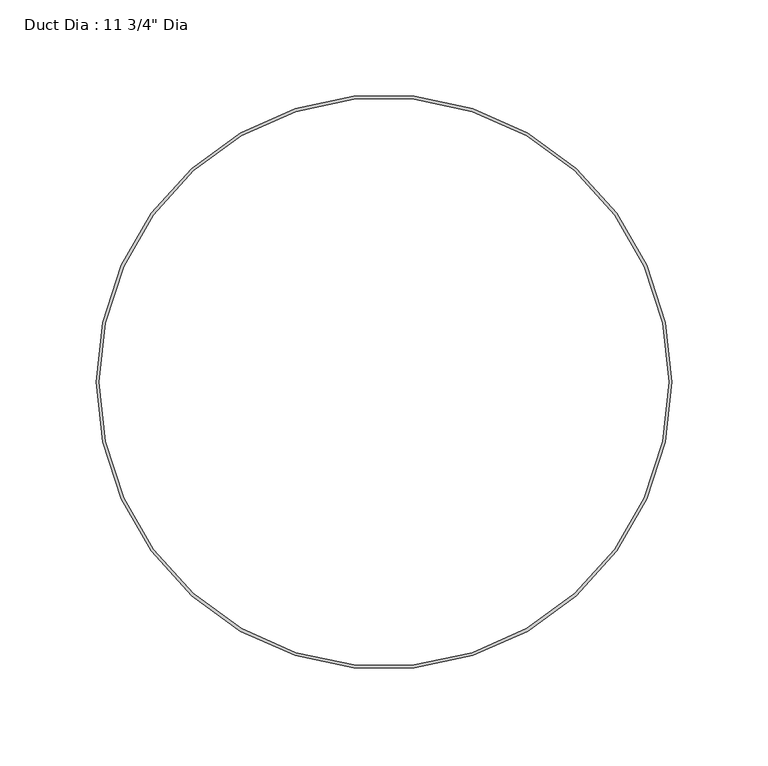
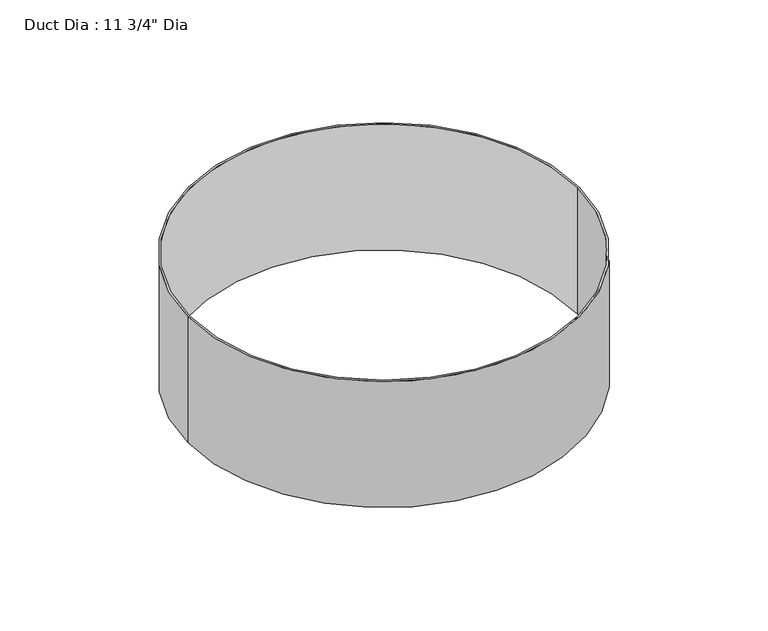
"""IFC4 building model written with IfcOpenShell, lengths in millimetres: proxy geometry."""

import ifcopenshell
import ifcopenshell.guid

model = None  # the IFC model being written
_history = None  # IfcOwnerHistory: only IFC2X3 demands one
_inside = {}  # id of a spatial element -> (the spatial element, [elements in it])
_under = {}  # id of a project, library or spatial element -> (it, [spatial elements below it])
_declared = {}  # id of a project -> (the project, [libraries it declares])
_typed = {}  # id of a type object -> (the type object, [elements of that type])
_made_of = {}  # id of a material, layer set ... -> (it, [elements and type objects made of it])


def new_model(schema):
    """Start an empty IFC model of exactly this schema.

    Asked for "IFC4X3", IfcOpenShell would pick the latest addendum, in which some entities
    have other attributes; the version numbers below select the first issue.
    IFC2X3 requires an IfcOwnerHistory on every rooted entity: one is made here for all.
    """
    global model, _history
    if schema == "IFC4X3":
        model = ifcopenshell.file(schema_version=(4, 3, 0, 0))
    else:
        model = ifcopenshell.file(schema=schema)
    _inside.clear()
    _under.clear()
    _declared.clear()
    _typed.clear()
    _made_of.clear()
    _history = None
    if model.schema == "IFC2X3":
        org = make("IfcOrganization", Name="unknown")
        user = make(
            "IfcPersonAndOrganization",
            ThePerson=make("IfcPerson", FamilyName="unknown"),
            TheOrganization=org,
        )
        app = make(
            "IfcApplication",
            ApplicationDeveloper=org,
            Version="unknown",
            ApplicationFullName="unknown",
            ApplicationIdentifier="unknown",
        )
        _history = make(
            "IfcOwnerHistory",
            OwningUser=user,
            OwningApplication=app,
            ChangeAction="ADDED",
            CreationDate=0,
        )
    return model


def make(cls, **values):
    """One entity of the class cls with the attributes given. An attribute that is None is left unset."""
    return model.create_entity(
        cls, **{name: value for name, value in values.items() if value is not None}
    )


def rooted(cls, **values):
    """An entity with a GlobalId (a new one), such as an element, a storey or a relation."""
    return make(cls, GlobalId=ifcopenshell.guid.new(), OwnerHistory=_history, **values)


def si_unit(unit_type, name, prefix=None):
    """IfcSIUnit, for example si_unit("LENGTHUNIT", "METRE", prefix="MILLI")."""
    return make("IfcSIUnit", UnitType=unit_type, Prefix=prefix, Name=name)


def assignment(units):
    """IfcUnitAssignment: the units of a project."""
    return None if units is None else make("IfcUnitAssignment", Units=units)


def point(xyz):
    """IfcCartesianPoint."""
    return None if xyz is None else make("IfcCartesianPoint", Coordinates=xyz)


def direction(xyz):
    """IfcDirection."""
    return None if xyz is None else make("IfcDirection", DirectionRatios=xyz)


def frame(location, z_axis=None, x_axis=None):
    """IfcAxis2Placement3D, a coordinate frame: its origin and axes. An axis left out is left unset."""
    return make(
        "IfcAxis2Placement3D",
        Location=point(location),
        Axis=direction(z_axis),
        RefDirection=direction(x_axis),
    )


def frame_2d(location, x_axis=None):
    """IfcAxis2Placement2D, a coordinate frame in the plane: its origin and x axis."""
    return make(
        "IfcAxis2Placement2D", Location=point(location), RefDirection=direction(x_axis)
    )


def origin():
    """The frame at (0, 0, 0) with its axes left unset."""
    return frame((0.0, 0.0, 0.0))


def origin_with_axes():
    """The frame at (0, 0, 0) with the z axis (0, 0, 1) and the x axis (1, 0, 0) written out."""
    return frame((0.0, 0.0, 0.0), z_axis=(0.0, 0.0, 1.0), x_axis=(1.0, 0.0, 0.0))


def origin_2d():
    """The frame at (0, 0) in the plane with its x axis left unset."""
    return frame_2d((0.0, 0.0))


def place(relative_to, where):
    """IfcLocalPlacement: puts the frame where relative to a parent placement (None: the world)."""
    return make(
        "IfcLocalPlacement", PlacementRelTo=relative_to, RelativePlacement=where
    )


def context(
    kind, dimensions, precision=None, world=None, true_north=None, identifier=None
):
    """IfcGeometricRepresentationContext, for example the 3D "Model" context."""
    return make(
        "IfcGeometricRepresentationContext",
        ContextIdentifier=identifier,
        ContextType=kind,
        CoordinateSpaceDimension=dimensions,
        Precision=precision,
        WorldCoordinateSystem=world,
        TrueNorth=true_north,
    )


def project(units=None, contexts=None):
    """IfcProject with its units and contexts."""
    return rooted(
        "IfcProject",
        Name="project",
        RepresentationContexts=contexts,
        UnitsInContext=assignment(units),
    )


def spatial(cls, under=None, at=None, **own):
    """A site, building, storey or space (cls), placed at a placement, below another one or the project."""
    s = rooted(cls, ObjectPlacement=at, **own)
    if under is not None:
        _under.setdefault(under.id(), (under, []))[1].append(s)
    return s


def circle_curve(where, radius):
    """IfcCircle in the frame where."""
    return make("IfcCircle", Position=where, Radius=radius)


def trimmed(basis, trim1, trim2, sense, master):
    """IfcTrimmedCurve: the piece of a basis curve between two trims."""
    return make(
        "IfcTrimmedCurve",
        BasisCurve=basis,
        Trim1=trim1,
        Trim2=trim2,
        SenseAgreement=sense,
        MasterRepresentation=master,
    )


def segment(curve, same_sense, transition):
    """IfcCompositeCurveSegment."""
    return make(
        "IfcCompositeCurveSegment",
        Transition=transition,
        SameSense=same_sense,
        ParentCurve=curve,
    )


def composite_curve(segments, self_intersect=None):
    """IfcCompositeCurve: segments joined end to end."""
    return make("IfcCompositeCurve", Segments=segments, SelfIntersect=self_intersect)


def outline(outer, holes=None, kind="AREA"):
    """IfcArbitraryClosedProfileDef: a profile drawn as a closed curve; with holes, ...WithVoids."""
    if holes is None:
        return make("IfcArbitraryClosedProfileDef", ProfileType=kind, OuterCurve=outer)
    return make(
        "IfcArbitraryProfileDefWithVoids",
        ProfileType=kind,
        OuterCurve=outer,
        InnerCurves=holes,
    )


def extrude(swept, where, along, depth):
    """IfcExtrudedAreaSolid: the profile swept, set in the frame where, extruded along a direction by depth."""
    return make(
        "IfcExtrudedAreaSolid",
        SweptArea=swept,
        Position=where,
        ExtrudedDirection=direction(along),
        Depth=depth,
    )


def shape(context_of_items, identifier, shape_type, items):
    """IfcShapeRepresentation: the items that make up one representation, for example the "Body"."""
    return make(
        "IfcShapeRepresentation",
        ContextOfItems=context_of_items,
        RepresentationIdentifier=identifier,
        RepresentationType=shape_type,
        Items=items,
    )


def source(mapping_origin, context_of_items, identifier, shape_type, items):
    """IfcRepresentationMap: a shape defined once, which mapped items show again and again."""
    return make(
        "IfcRepresentationMap",
        MappingOrigin=mapping_origin,
        MappedRepresentation=shape(context_of_items, identifier, shape_type, items),
    )


def transform(
    local_origin,
    x_axis=None,
    y_axis=None,
    z_axis=None,
    scale=None,
    scale2=None,
    scale3=None,
    uniform=True,
):
    """IfcCartesianTransformationOperator3D, or its non-uniform kind. x_axis, y_axis, z_axis: its Axis1, 2, 3."""
    if uniform:
        return make(
            "IfcCartesianTransformationOperator3D",
            Axis1=direction(x_axis),
            Axis2=direction(y_axis),
            LocalOrigin=point(local_origin),
            Scale=scale,
            Axis3=direction(z_axis),
        )
    return make(
        "IfcCartesianTransformationOperator3DnonUniform",
        Axis1=direction(x_axis),
        Axis2=direction(y_axis),
        LocalOrigin=point(local_origin),
        Scale=scale,
        Axis3=direction(z_axis),
        Scale2=scale2,
        Scale3=scale3,
    )


def mapped(mapping_source, mapping_target):
    """IfcMappedItem: shows the shape of a source again, moved by a transform."""
    return make(
        "IfcMappedItem", MappingSource=mapping_source, MappingTarget=mapping_target
    )


def made_of(thing, what):
    """Note that an element or type object is made of a material, layer set ...; save() writes the relation."""
    if what is not None:
        _made_of.setdefault(what.id(), (what, []))[1].append(thing)
    return thing


def element(
    cls,
    number,
    at=None,
    inside=None,
    cuts=None,
    type_object=None,
    material=None,
    context=None,
    identifier="Body",
    shape_type=None,
    held_by="IfcProductDefinitionShape",
    body=None,
    shapes=None,
    **own,
):
    """One element of the class cls, such as IfcWall. Its Tag is "e" and its number.

    at: its placement. inside: the storey or other place that contains it. cuts: it is an
    opening in that element (IfcRelVoidsElement). A single representation is given by context,
    identifier, shape_type and body (its items); several are given by shapes. held_by: the class
    of the entity that holds the representations. save() writes the other relations.
    """
    e = rooted(cls, Tag="e%d" % number, ObjectPlacement=at, **own)
    if body is not None:
        shapes = [shape(context, identifier, shape_type, body)]
    if shapes is not None:
        e.Representation = make(held_by, Representations=shapes)
    if inside is not None:
        _inside.setdefault(inside.id(), (inside, []))[1].append(e)
    if cuts is not None:
        rooted(
            "IfcRelVoidsElement", RelatingBuildingElement=cuts, RelatedOpeningElement=e
        )
    if type_object is not None:
        _typed.setdefault(type_object.id(), (type_object, []))[1].append(e)
    return made_of(e, material)


def aggregate(whole, parts):
    """IfcRelAggregates: a whole, such as a stair, and the parts it consists of."""
    return rooted("IfcRelAggregates", RelatingObject=whole, RelatedObjects=parts)


def save(model, path):
    """Write the relations noted so far, then the file.

    IfcRelAggregates (storeys below a building ...), IfcRelContainedInSpatialStructure (elements
    in a storey), IfcRelDefinesByType, IfcRelAssociatesMaterial and IfcRelDeclares: one each for
    every whole, place, type object, material and project.
    """
    for whole, parts in _under.values():
        aggregate(whole, parts)
    for where, things in _inside.values():
        rooted(
            "IfcRelContainedInSpatialStructure",
            RelatedElements=things,
            RelatingStructure=where,
        )
    for kind, things in _typed.values():
        rooted("IfcRelDefinesByType", RelatedObjects=things, RelatingType=kind)
    for what, things in _made_of.values():
        rooted("IfcRelAssociatesMaterial", RelatedObjects=things, RelatingMaterial=what)
    for by, libraries in _declared.values():
        rooted("IfcRelDeclares", RelatingContext=by, RelatedDefinitions=libraries)
    model.write(path)


def proxy_814ff0a6(model_context):
    return source(origin(), model_context, "Body", "SweptSolid", [
        extrude(outline(composite_curve([segment(trimmed(circle_curve(origin_2d(), 149.225), [point((-149.225, 0.0))], [point((149.225, 0.0))], False, "CARTESIAN"), True, "CONTINUOUS"), segment(trimmed(circle_curve(origin_2d(), 149.225), [point((149.225, 0.0))], [point((-149.225, 0.0))], False, "CARTESIAN"), True, "CONTINUOUS")], self_intersect=False), holes=[composite_curve([segment(trimmed(circle_curve(origin_2d(), 147.6375), [point((-147.6375, 0.0))], [point((147.6375, 0.0))], True, "CARTESIAN"), True, "CONTINUOUS"), segment(trimmed(circle_curve(origin_2d(), 147.6375), [point((147.6375, 0.0))], [point((-147.6375, 0.0))], True, "CARTESIAN"), True, "CONTINUOUS")], self_intersect=False)]), origin_with_axes(), (0.0, 0.0, 1.0), 101.6),
    ])


if __name__ == "__main__":
    model = new_model("IFC4")
    model_context = context("Model", 3, world=origin())
    ifc_project = project(units=[si_unit("LENGTHUNIT", "METRE", prefix="MILLI")], contexts=[model_context])
    site = spatial("IfcSite", under=ifc_project)
    building = spatial("IfcBuilding", under=site)
    placement = place(None, origin())
    proxy_shape = proxy_814ff0a6(model_context)
    element("IfcBuildingElementProxy", 1, Name="Duct Dia : 11 3/4\" Dia", ObjectType="Duct Dia : 11 3/4\" Dia", at=placement, inside=building, context=model_context, shape_type="MappedRepresentation", body=[
        mapped(proxy_shape, transform((0.0, 0.0, 0.0), x_axis=(1.0, 0.0, 0.0), y_axis=(0.0, 1.0, 0.0), z_axis=(0.0, 0.0, 1.0))),
    ])
    save(model, "model.ifc")
